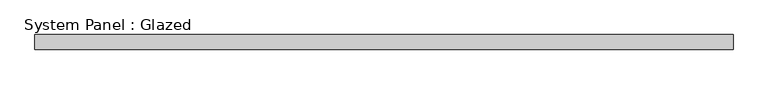
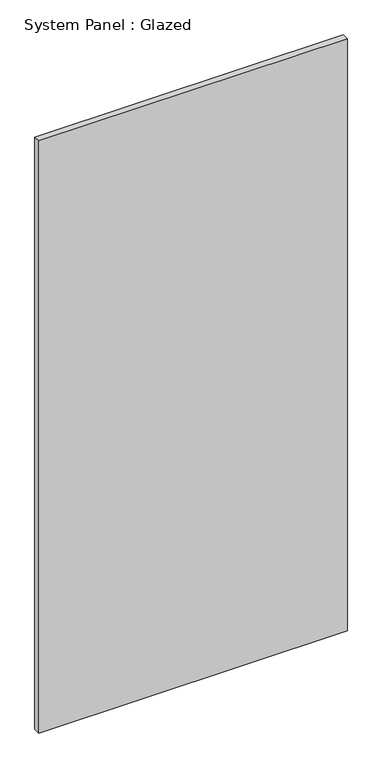
"""IFC4 building model written with IfcOpenShell, lengths in millimetres: plate geometry, System Panel : Glazed."""

import ifcopenshell
import ifcopenshell.guid

model = None  # the IFC model being written
_history = None  # IfcOwnerHistory: only IFC2X3 demands one
_inside = {}  # id of a spatial element -> (the spatial element, [elements in it])
_under = {}  # id of a project, library or spatial element -> (it, [spatial elements below it])
_declared = {}  # id of a project -> (the project, [libraries it declares])
_typed = {}  # id of a type object -> (the type object, [elements of that type])
_made_of = {}  # id of a material, layer set ... -> (it, [elements and type objects made of it])


def new_model(schema):
    """Start an empty IFC model of exactly this schema.

    Asked for "IFC4X3", IfcOpenShell would pick the latest addendum, in which some entities
    have other attributes; the version numbers below select the first issue.
    IFC2X3 requires an IfcOwnerHistory on every rooted entity: one is made here for all.
    """
    global model, _history
    if schema == "IFC4X3":
        model = ifcopenshell.file(schema_version=(4, 3, 0, 0))
    else:
        model = ifcopenshell.file(schema=schema)
    _inside.clear()
    _under.clear()
    _declared.clear()
    _typed.clear()
    _made_of.clear()
    _history = None
    if model.schema == "IFC2X3":
        org = make("IfcOrganization", Name="unknown")
        user = make(
            "IfcPersonAndOrganization",
            ThePerson=make("IfcPerson", FamilyName="unknown"),
            TheOrganization=org,
        )
        app = make(
            "IfcApplication",
            ApplicationDeveloper=org,
            Version="unknown",
            ApplicationFullName="unknown",
            ApplicationIdentifier="unknown",
        )
        _history = make(
            "IfcOwnerHistory",
            OwningUser=user,
            OwningApplication=app,
            ChangeAction="ADDED",
            CreationDate=0,
        )
    return model


def make(cls, **values):
    """One entity of the class cls with the attributes given. An attribute that is None is left unset."""
    return model.create_entity(
        cls, **{name: value for name, value in values.items() if value is not None}
    )


def rooted(cls, **values):
    """An entity with a GlobalId (a new one), such as an element, a storey or a relation."""
    return make(cls, GlobalId=ifcopenshell.guid.new(), OwnerHistory=_history, **values)


def si_unit(unit_type, name, prefix=None):
    """IfcSIUnit, for example si_unit("LENGTHUNIT", "METRE", prefix="MILLI")."""
    return make("IfcSIUnit", UnitType=unit_type, Prefix=prefix, Name=name)


def assignment(units):
    """IfcUnitAssignment: the units of a project."""
    return None if units is None else make("IfcUnitAssignment", Units=units)


def point(xyz):
    """IfcCartesianPoint."""
    return None if xyz is None else make("IfcCartesianPoint", Coordinates=xyz)


def direction(xyz):
    """IfcDirection."""
    return None if xyz is None else make("IfcDirection", DirectionRatios=xyz)


def frame(location, z_axis=None, x_axis=None):
    """IfcAxis2Placement3D, a coordinate frame: its origin and axes. An axis left out is left unset."""
    return make(
        "IfcAxis2Placement3D",
        Location=point(location),
        Axis=direction(z_axis),
        RefDirection=direction(x_axis),
    )


def origin():
    """The frame at (0, 0, 0) with its axes left unset."""
    return frame((0.0, 0.0, 0.0))


def origin_with_axes():
    """The frame at (0, 0, 0) with the z axis (0, 0, 1) and the x axis (1, 0, 0) written out."""
    return frame((0.0, 0.0, 0.0), z_axis=(0.0, 0.0, 1.0), x_axis=(1.0, 0.0, 0.0))


def place(relative_to, where):
    """IfcLocalPlacement: puts the frame where relative to a parent placement (None: the world)."""
    return make(
        "IfcLocalPlacement", PlacementRelTo=relative_to, RelativePlacement=where
    )


def context(
    kind, dimensions, precision=None, world=None, true_north=None, identifier=None
):
    """IfcGeometricRepresentationContext, for example the 3D "Model" context."""
    return make(
        "IfcGeometricRepresentationContext",
        ContextIdentifier=identifier,
        ContextType=kind,
        CoordinateSpaceDimension=dimensions,
        Precision=precision,
        WorldCoordinateSystem=world,
        TrueNorth=true_north,
    )


def project(units=None, contexts=None):
    """IfcProject with its units and contexts."""
    return rooted(
        "IfcProject",
        Name="project",
        RepresentationContexts=contexts,
        UnitsInContext=assignment(units),
    )


def spatial(cls, under=None, at=None, **own):
    """A site, building, storey or space (cls), placed at a placement, below another one or the project."""
    s = rooted(cls, ObjectPlacement=at, **own)
    if under is not None:
        _under.setdefault(under.id(), (under, []))[1].append(s)
    return s


def polyline(points):
    """IfcPolyline through the points."""
    return make("IfcPolyline", Points=[point(p) for p in points])


def outline(outer, holes=None, kind="AREA"):
    """IfcArbitraryClosedProfileDef: a profile drawn as a closed curve; with holes, ...WithVoids."""
    if holes is None:
        return make("IfcArbitraryClosedProfileDef", ProfileType=kind, OuterCurve=outer)
    return make(
        "IfcArbitraryProfileDefWithVoids",
        ProfileType=kind,
        OuterCurve=outer,
        InnerCurves=holes,
    )


def extrude(swept, where, along, depth):
    """IfcExtrudedAreaSolid: the profile swept, set in the frame where, extruded along a direction by depth."""
    return make(
        "IfcExtrudedAreaSolid",
        SweptArea=swept,
        Position=where,
        ExtrudedDirection=direction(along),
        Depth=depth,
    )


def shape(context_of_items, identifier, shape_type, items):
    """IfcShapeRepresentation: the items that make up one representation, for example the "Body"."""
    return make(
        "IfcShapeRepresentation",
        ContextOfItems=context_of_items,
        RepresentationIdentifier=identifier,
        RepresentationType=shape_type,
        Items=items,
    )


def source(mapping_origin, context_of_items, identifier, shape_type, items):
    """IfcRepresentationMap: a shape defined once, which mapped items show again and again."""
    return make(
        "IfcRepresentationMap",
        MappingOrigin=mapping_origin,
        MappedRepresentation=shape(context_of_items, identifier, shape_type, items),
    )


def transform(
    local_origin,
    x_axis=None,
    y_axis=None,
    z_axis=None,
    scale=None,
    scale2=None,
    scale3=None,
    uniform=True,
):
    """IfcCartesianTransformationOperator3D, or its non-uniform kind. x_axis, y_axis, z_axis: its Axis1, 2, 3."""
    if uniform:
        return make(
            "IfcCartesianTransformationOperator3D",
            Axis1=direction(x_axis),
            Axis2=direction(y_axis),
            LocalOrigin=point(local_origin),
            Scale=scale,
            Axis3=direction(z_axis),
        )
    return make(
        "IfcCartesianTransformationOperator3DnonUniform",
        Axis1=direction(x_axis),
        Axis2=direction(y_axis),
        LocalOrigin=point(local_origin),
        Scale=scale,
        Axis3=direction(z_axis),
        Scale2=scale2,
        Scale3=scale3,
    )


def mapped(mapping_source, mapping_target):
    """IfcMappedItem: shows the shape of a source again, moved by a transform."""
    return make(
        "IfcMappedItem", MappingSource=mapping_source, MappingTarget=mapping_target
    )


def made_of(thing, what):
    """Note that an element or type object is made of a material, layer set ...; save() writes the relation."""
    if what is not None:
        _made_of.setdefault(what.id(), (what, []))[1].append(thing)
    return thing


def element(
    cls,
    number,
    at=None,
    inside=None,
    cuts=None,
    type_object=None,
    material=None,
    context=None,
    identifier="Body",
    shape_type=None,
    held_by="IfcProductDefinitionShape",
    body=None,
    shapes=None,
    **own,
):
    """One element of the class cls, such as IfcWall. Its Tag is "e" and its number.

    at: its placement. inside: the storey or other place that contains it. cuts: it is an
    opening in that element (IfcRelVoidsElement). A single representation is given by context,
    identifier, shape_type and body (its items); several are given by shapes. held_by: the class
    of the entity that holds the representations. save() writes the other relations.
    """
    e = rooted(cls, Tag="e%d" % number, ObjectPlacement=at, **own)
    if body is not None:
        shapes = [shape(context, identifier, shape_type, body)]
    if shapes is not None:
        e.Representation = make(held_by, Representations=shapes)
    if inside is not None:
        _inside.setdefault(inside.id(), (inside, []))[1].append(e)
    if cuts is not None:
        rooted(
            "IfcRelVoidsElement", RelatingBuildingElement=cuts, RelatedOpeningElement=e
        )
    if type_object is not None:
        _typed.setdefault(type_object.id(), (type_object, []))[1].append(e)
    return made_of(e, material)


def aggregate(whole, parts):
    """IfcRelAggregates: a whole, such as a stair, and the parts it consists of."""
    return rooted("IfcRelAggregates", RelatingObject=whole, RelatedObjects=parts)


def save(model, path):
    """Write the relations noted so far, then the file.

    IfcRelAggregates (storeys below a building ...), IfcRelContainedInSpatialStructure (elements
    in a storey), IfcRelDefinesByType, IfcRelAssociatesMaterial and IfcRelDeclares: one each for
    every whole, place, type object, material and project.
    """
    for whole, parts in _under.values():
        aggregate(whole, parts)
    for where, things in _inside.values():
        rooted(
            "IfcRelContainedInSpatialStructure",
            RelatedElements=things,
            RelatingStructure=where,
        )
    for kind, things in _typed.values():
        rooted("IfcRelDefinesByType", RelatedObjects=things, RelatingType=kind)
    for what, things in _made_of.values():
        rooted("IfcRelAssociatesMaterial", RelatedObjects=things, RelatingMaterial=what)
    for by, libraries in _declared.values():
        rooted("IfcRelDeclares", RelatingContext=by, RelatedDefinitions=libraries)
    model.write(path)


def system_panel_glazed_87f286fe(model_context):
    return source(origin(), model_context, "Body", "SweptSolid", [
        extrude(outline(polyline([(593.3694, -12.7), (-593.3694, -12.7), (-593.3694, 12.7), (593.3694, 12.7), (593.3694, -12.7)])), origin_with_axes(), (0.0, 0.0, 1.0), 2405.8832375),
    ])


if __name__ == "__main__":
    model = new_model("IFC4")
    model_context = context("Model", 3, world=origin())
    ifc_project = project(units=[si_unit("LENGTHUNIT", "METRE", prefix="MILLI")], contexts=[model_context])
    site = spatial("IfcSite", under=ifc_project)
    building = spatial("IfcBuilding", under=site)
    placement = place(None, origin())
    system_panel_glazed_shape = system_panel_glazed_87f286fe(model_context)
    element("IfcPlate", 1, ObjectType="System Panel : Glazed", at=placement, inside=building, context=model_context, shape_type="MappedRepresentation", body=[
        mapped(system_panel_glazed_shape, transform((0.0, 0.0, 0.0), x_axis=(1.0, 0.0, 0.0), y_axis=(0.0, 1.0, 0.0), z_axis=(0.0, 0.0, 1.0))),
    ])
    save(model, "model.ifc")
